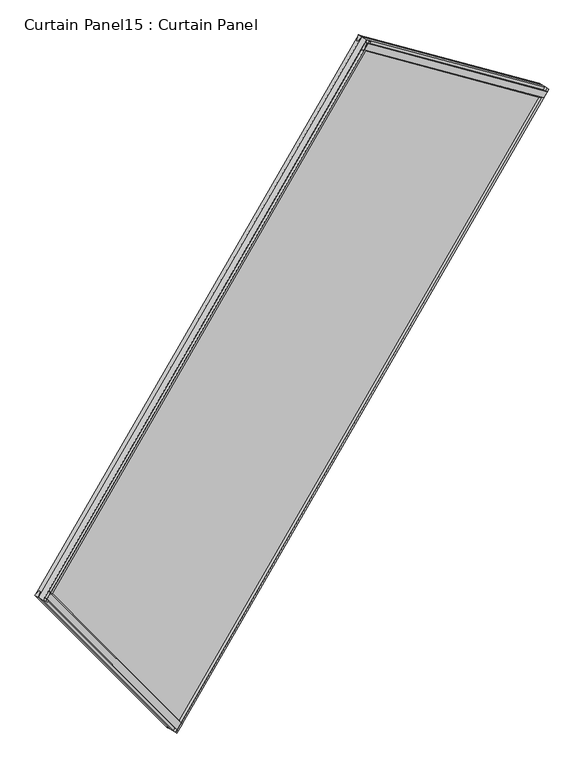
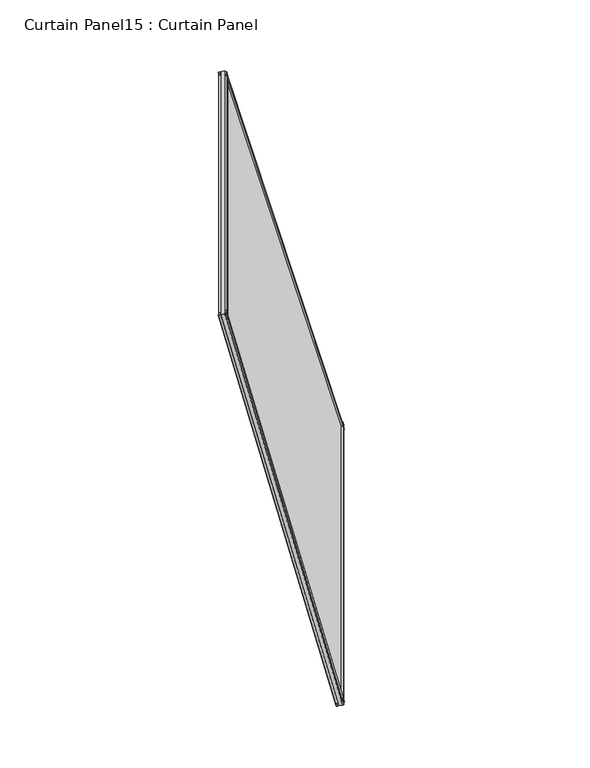
"""IFC4 building model written with IfcOpenShell, lengths in millimetres: plate geometry, Curtain Panel15 : Curtain Panel."""

from ifc_helpers import new_model, si_unit, frame, origin, place, context, project, spatial, polyline, outline, extrude, source, transform, mapped, element, save


def curtain_panel15_curtain_panel_636370ad(model_context):
    return source(origin(), model_context, "Body", "SweptSolid", [
        extrude(outline(polyline([(22.279479, -5.8689469), (22.2882717, -20.9890896), (17.5121093, -24.070989), (17.501526, -5.8717253), (22.279479, -5.8689469)])), frame((-9283.0707533, -14495.7632439, 980.3279056), z_axis=(-0.24999999999999592, 0.06698729810778421, 0.9659258262890693), x_axis=(0.8383994929501001, -0.48405017294319264, 0.2505628070857293)), (0.0, 0.0, 1.0), 1495.7557224),
        extrude(outline(polyline([(-1.6371094, 0.0), (4.7128906, 0.0), (4.7128906, -11.4749739), (-0.0826892, -12.7161612), (-3.2648369, -0.4212868), (-1.6371094, 0.0)])), frame((-9283.0707533, -14495.7632439, 980.3279056), z_axis=(-0.24999999999999592, 0.06698729810778421, 0.9659258262890693), x_axis=(0.8383994929501001, -0.48405017294319264, 0.2505628070857293)), (0.0, 0.0, 1.0), 1495.7557224),
        extrude(outline(polyline([(22.2794791, 5.8689468), (17.5015261, 5.8717253), (17.5121094, 24.0709891), (22.2882717, 20.9890896), (22.2794791, 5.8689468)])), frame((-10055.440659, -15833.5471627, 980.3279056), z_axis=(-0.18301270189222588, 0.1830127018922033, 0.9659258262890702), x_axis=(0.8383994929501001, -0.4840501729431927, 0.2505628070857293)), (0.0, 0.0, 1.0), 1495.7557223),
        extrude(outline(polyline([(-1.6371094, 0.0), (-3.2648368, 0.4212869), (-0.0826892, 12.7161613), (4.7128906, 11.4749739), (4.7128906, 0.0), (-1.6371094, 0.0)])), frame((-10055.440659, -15833.5471627, 980.3279056), z_axis=(-0.18301270189222588, 0.1830127018922033, 0.9659258262890702), x_axis=(0.8383994929501001, -0.4840501729431927, 0.2505628070857293)), (0.0, 0.0, 1.0), 1495.7557223),
        extrude(outline(polyline([(4.7128906, 0.0), (4.7128907, -11.5612583), (-0.0992188, -10.3383034), (-0.0992187, 0.0), (4.7128906, 0.0)])), frame((-10055.4630653, -15833.5110437, 980.472655), z_axis=(0.5000000000000049, 0.866025403784436, 0.0), x_axis=(0.8383994929501001, -0.4840501729431926, 0.2505628070857293)), (0.0, 0.0, 1.0), 1544.6996588),
        extrude(outline(polyline([(17.5121094, -16.9465983), (17.5121094, 0.0), (22.3807369, 1e-07), (22.3807368, -12.4442107), (17.5121094, -16.9465983)])), frame((-10055.4630653, -15833.5110437, 980.472655), z_axis=(0.5000000000000049, 0.866025403784436, 0.0), x_axis=(0.8383994929501001, -0.4840501729431926, 0.2505628070857293)), (0.0, 0.0, 1.0), 1544.6996588),
        extrude(outline(polyline([(4.7128906, -0.0712052), (-3.0167052, 1.9499364), (-0.2323941, 12.7186593), (4.7128905, 13.7986163), (4.7128906, -0.0712052)])), frame((-10329.2053527, -15559.7687326, 2425.261737), z_axis=(0.5000000000000051, 0.8660254037844359, 0.0), x_axis=(0.8383994929501001, -0.4840501729431926, 0.25056280708572926)), (0.0, 0.0, 1.0), 1344.3063553),
        extrude(outline(polyline([(22.1657112, 22.0144647), (22.3120931, 5.3520935), (17.5121093, 4.0865652), (17.5121093, 24.2860713), (22.1657112, 22.0144647)])), frame((-10329.2053527, -15559.7687326, 2425.261737), z_axis=(0.5000000000000051, 0.8660254037844359, 0.0), x_axis=(0.8383994929501001, -0.4840501729431926, 0.25056280708572926)), (0.0, 0.0, 1.0), 1344.3063553),
        extrude(outline(polyline([(-69.2031684, -1e-07), (-172.6797697, -1541.2500287), (-1655.0116884, -1341.3068775), (-1564.9588907, 0.0), (-69.2031684, -1e-07)])), frame((-9261.85614, -14502.6702142, 914.8084025), z_axis=(0.8383994929501002, -0.48405017294319264, 0.2505628070857293), x_axis=(0.24999999999999797, -0.0669872981077804, -0.9659258262890689)), (0.0, 0.0, 1.0), 12.7992187),
    ])


if __name__ == "__main__":
    model = new_model("IFC4")
    model_context = context("Model", 3, world=origin())
    ifc_project = project(units=[si_unit("LENGTHUNIT", "METRE", prefix="MILLI")], contexts=[model_context])
    site = spatial("IfcSite", under=ifc_project)
    building = spatial("IfcBuilding", under=site)
    placement = place(None, origin())
    curtain_panel15_curtain_panel_shape = curtain_panel15_curtain_panel_636370ad(model_context)
    element("IfcPlate", 1, ObjectType="Curtain Panel15 : Curtain Panel", at=placement, inside=building, context=model_context, shape_type="MappedRepresentation", body=[
        mapped(curtain_panel15_curtain_panel_shape, transform((0.0, 0.0, 0.0), x_axis=(1.0, 0.0, 0.0), y_axis=(0.0, 1.0, 0.0), z_axis=(0.0, 0.0, 1.0))),
    ])
    save(model, "model.ifc")
